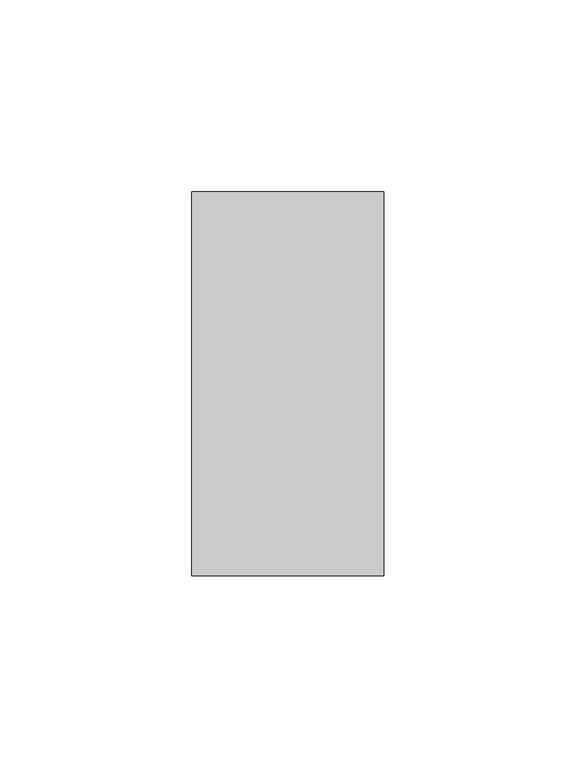
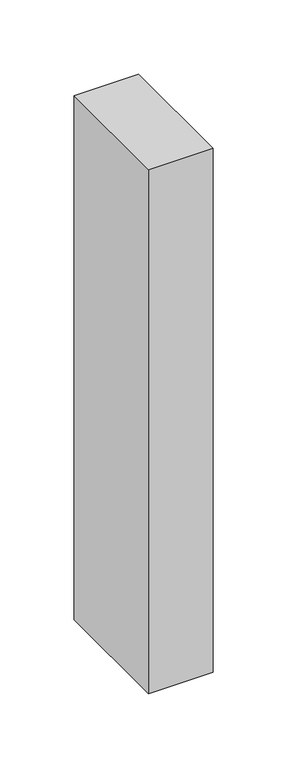
"""IFC4 building model written with IfcOpenShell, lengths in millimetres: member geometry."""

from ifc_helpers import new_model, si_unit, frame, origin, place, context, project, spatial, polyline, outline, extrude, source, transform, mapped, element, save


def member_a197a458(model_context):
    return source(origin(), model_context, "Body", "SweptSolid", [
        extrude(outline(polyline([(0.0, 50.0), (0.0, -50.0), (-50.0, -50.0), (-50.0, 50.0), (0.0, 50.0)])), frame((0.0, 0.0, -430.1707317), z_axis=(0.0, 0.0, 1.0), x_axis=(1.0, 0.0, 0.0)), (0.0, 0.0, 1.0), 430.1707317),
    ])


if __name__ == "__main__":
    model = new_model("IFC4")
    model_context = context("Model", 3, world=origin())
    ifc_project = project(units=[si_unit("LENGTHUNIT", "METRE", prefix="MILLI")], contexts=[model_context])
    site = spatial("IfcSite", under=ifc_project)
    building = spatial("IfcBuilding", under=site)
    placement = place(None, origin())
    member_shape = member_a197a458(model_context)
    element("IfcMember", 1, at=placement, inside=building, context=model_context, shape_type="MappedRepresentation", body=[
        mapped(member_shape, transform((0.0, 0.0, 0.0), x_axis=(1.0, 0.0, 0.0), y_axis=(0.0, 1.0, 0.0), z_axis=(0.0, 0.0, 1.0))),
    ])
    save(model, "model.ifc")
